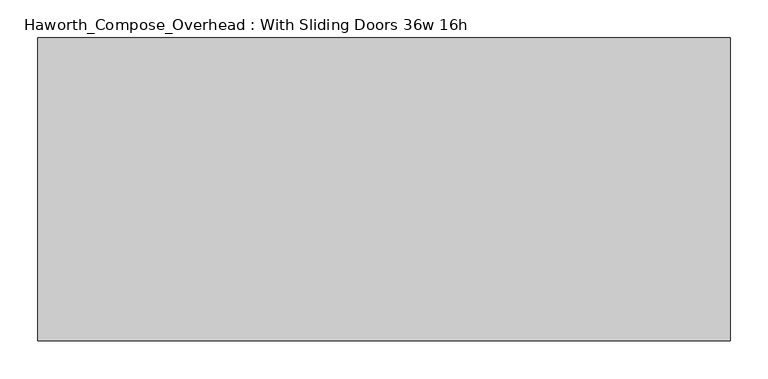
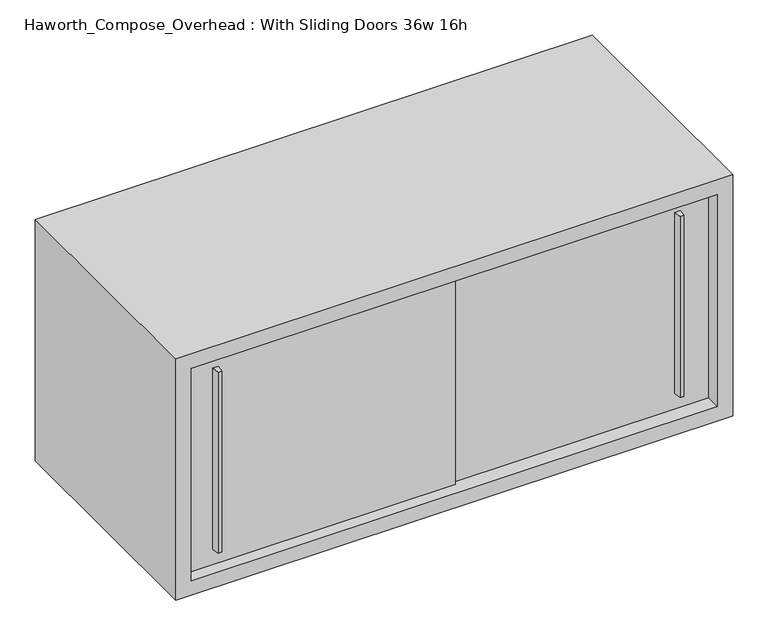
"""IFC4 building model written with IfcOpenShell, lengths in millimetres: furniture geometry, Haworth_Compose_Overhead : With Sliding Doors 36w 16h."""

from ifc_helpers import new_model, si_unit, frame, origin, place, context, project, spatial, polyline, outline, extrude, source, transform, mapped, element, save


def haworth_compose_overhead_with_sliding_doors_36w_16h_7225e257(model_context):
    return source(origin(), model_context, "Body", "SweptSolid", [
        extrude(outline(polyline([(549.2750004, -387.3499879), (542.9249996, -387.3499879), (541.3375011, -374.65), (550.8624989, -374.65), (549.2750004, -387.3499879)])), frame((0.0, 0.0, 1322.3875), z_axis=(0.0, 0.0, 1.0), x_axis=(1.0, 0.0, 0.0)), (0.0, 0.0, 1.0), 314.325),
        extrude(outline(polyline([(-212.7249996, -393.6999879), (-219.0750004, -393.6999879), (-220.6624989, -381.0), (-211.1375011, -381.0), (-212.7249996, -393.6999879)])), frame((0.0, 0.0, 1322.3875), z_axis=(0.0, 0.0, 1.0), x_axis=(1.0, 0.0, 0.0)), (0.0, 0.0, 1.0), 314.325),
        extrude(outline(polyline([(-266.7, -374.65), (177.8, -374.65), (177.8, -381.0), (-266.7, -381.0), (-266.7, -374.65)])), frame((0.0, 0.0, 1295.4), z_axis=(0.0, 0.0, 1.0), x_axis=(1.0, 0.0, 0.0)), (0.0, 0.0, 1.0), 368.3),
        extrude(outline(polyline([(152.4, -368.3), (596.9, -368.3), (596.9, -374.65), (152.4, -374.65), (152.4, -368.3)])), frame((0.0, 0.0, 1295.4), z_axis=(0.0, 0.0, 1.0), x_axis=(1.0, 0.0, 0.0)), (0.0, 0.0, 1.0), 368.3),
        extrude(outline(polyline([(596.9, -6.35), (-266.7, -6.35), (-266.7, 0.0), (596.9, 0.0), (596.9, -6.35)])), frame((0.0, 0.0, 1295.4), z_axis=(0.0, 0.0, 1.0), x_axis=(1.0, 0.0, 0.0)), (0.0, 0.0, 1.0), 368.3),
        extrude(outline(polyline([(1270.0, 622.3), (1689.1, 622.3), (1689.1, -292.1), (1270.0, -292.1), (1270.0, 622.3)]), holes=[polyline([(1663.7, 596.9), (1295.4, 596.9), (1295.4, -266.7), (1663.7, -266.7), (1663.7, 596.9)])]), frame((0.0, -400.05, 0.0), z_axis=(0.0, 1.0, 0.0), x_axis=(0.0, 0.0, 1.0)), (0.0, 0.0, 1.0), 400.05),
    ])


if __name__ == "__main__":
    model = new_model("IFC4")
    model_context = context("Model", 3, world=origin())
    ifc_project = project(units=[si_unit("LENGTHUNIT", "METRE", prefix="MILLI")], contexts=[model_context])
    site = spatial("IfcSite", under=ifc_project)
    building = spatial("IfcBuilding", under=site)
    placement = place(None, origin())
    haworth_compose_overhead_with_sliding_doors_36w_16h_shape = haworth_compose_overhead_with_sliding_doors_36w_16h_7225e257(model_context)
    element("IfcFurniture", 1, ObjectType="Haworth_Compose_Overhead : With Sliding Doors 36w 16h", at=placement, inside=building, context=model_context, shape_type="MappedRepresentation", body=[
        mapped(haworth_compose_overhead_with_sliding_doors_36w_16h_shape, transform((0.0, 0.0, 0.0), x_axis=(1.0, 0.0, 0.0), y_axis=(0.0, 1.0, 0.0), z_axis=(0.0, 0.0, 1.0))),
    ])
    save(model, "model.ifc")
